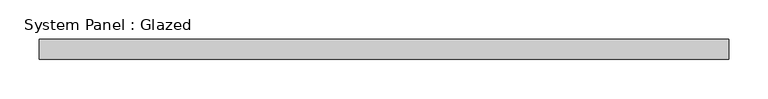
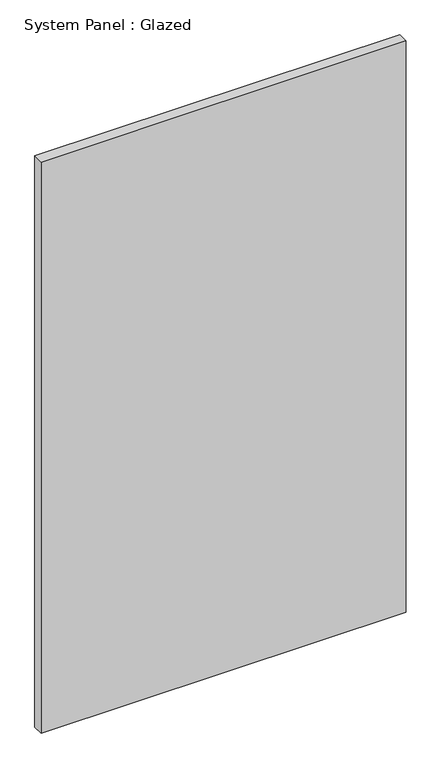
"""IFC4 building model written with IfcOpenShell, lengths in millimetres: plate geometry, System Panel : Glazed."""

from ifc_helpers import new_model, si_unit, origin, origin_with_axes, place, context, project, spatial, polyline, outline, extrude, source, transform, mapped, element, save


def system_panel_glazed_fa1b0757(model_context):
    return source(origin(), model_context, "Body", "SweptSolid", [
        extrude(outline(polyline([(438.15, 19.05), (-438.15, 19.05), (-438.15, 44.45), (438.15, 44.45), (438.15, 19.05)])), origin_with_axes(), (0.0, 0.0, 1.0), 1447.8),
    ])


if __name__ == "__main__":
    model = new_model("IFC4")
    model_context = context("Model", 3, world=origin())
    ifc_project = project(units=[si_unit("LENGTHUNIT", "METRE", prefix="MILLI")], contexts=[model_context])
    site = spatial("IfcSite", under=ifc_project)
    building = spatial("IfcBuilding", under=site)
    placement = place(None, origin())
    system_panel_glazed_shape = system_panel_glazed_fa1b0757(model_context)
    element("IfcPlate", 1, ObjectType="System Panel : Glazed", at=placement, inside=building, context=model_context, shape_type="MappedRepresentation", body=[
        mapped(system_panel_glazed_shape, transform((0.0, 0.0, 0.0), x_axis=(1.0, 0.0, 0.0), y_axis=(0.0, 1.0, 0.0), z_axis=(0.0, 0.0, 1.0))),
    ])
    save(model, "model.ifc")
